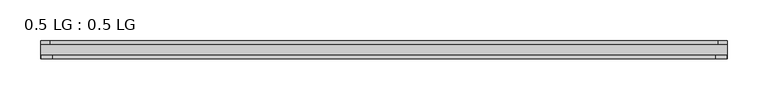
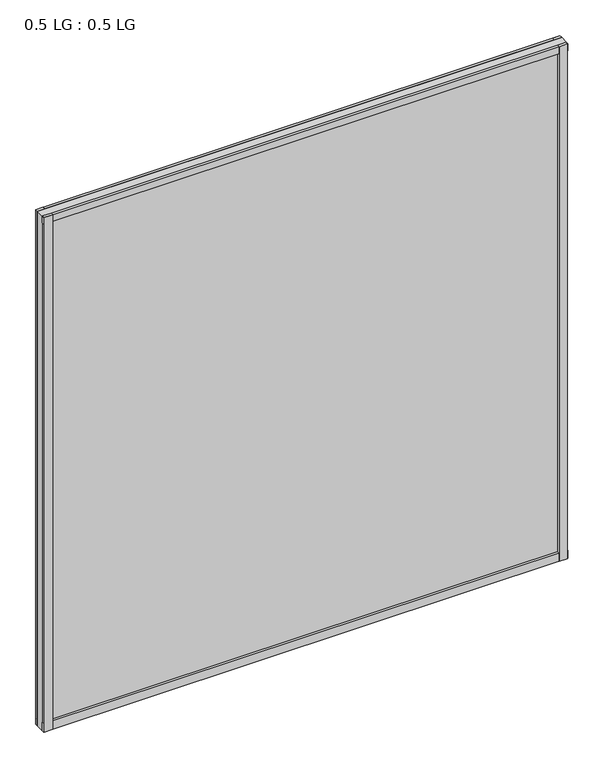
"""IFC4 building model written with IfcOpenShell, lengths in millimetres: plate geometry, 0.5 LG : 0.5 LG."""

from ifc_helpers import new_model, si_unit, frame, origin, origin_with_axes, place, context, project, spatial, polyline, outline, extrude, source, transform, mapped, element, save


def plate_0_5_lg_0_5_lg_e626f1d7(model_context):
    return source(origin(), model_context, "Body", "SweptSolid", [
        extrude(outline(polyline([(423.068369, -4.6736), (411.6157724, -4.6736), (411.6157724, 0.0), (423.068369, 0.0), (423.068369, -4.6736)])), origin_with_axes(), (0.0, 0.0, 1.0), 877.651362),
        extrude(outline(polyline([(408.8490451, -18.288), (422.2527656, -18.288), (422.2527656, -22.479), (408.8490451, -22.479), (408.8490451, -18.288)])), origin_with_axes(), (0.0, 0.0, 1.0), 877.651362),
        extrude(outline(polyline([(-411.5505603, 0.0), (-411.5505603, -4.6736), (-423.068369, -4.6736), (-423.068369, 0.0), (-411.5505603, 0.0)])), origin_with_axes(), (0.0, 0.0, 1.0), 877.651362),
        extrude(outline(polyline([(-408.8593202, -18.288), (-408.8593202, -22.479), (-422.2527656, -22.479), (-422.2527656, -18.288), (-408.8593202, -18.288)])), origin_with_axes(), (0.0, 0.0, 1.0), 877.651362),
        extrude(outline(polyline([(423.068369, 0.0), (423.068369, -4.6736), (-423.068369, -4.6736), (-423.068369, 0.0), (423.068369, 0.0)])), origin_with_axes(), (0.0, 0.0, 1.0), 11.444324),
        extrude(outline(polyline([(423.068369, -18.288), (423.068369, -22.479), (-423.068369, -22.479), (-423.068369, -18.288), (423.068369, -18.288)])), origin_with_axes(), (0.0, 0.0, 1.0), 14.1703966),
        extrude(outline(polyline([(423.068369, 0.0), (423.068369, -4.6736), (-423.068369, -4.6736), (-423.068369, 0.0), (423.068369, 0.0)])), frame((0.0, 0.0, 865.9862594), z_axis=(0.0, 0.0, 1.0), x_axis=(1.0, 0.0, 0.0)), (0.0, 0.0, 1.0), 11.6651026),
        extrude(outline(polyline([(423.068369, -18.288), (423.068369, -22.479), (-423.068369, -22.479), (-423.068369, -18.288), (423.068369, -18.288)])), frame((0.0, 0.0, 865.9862594), z_axis=(0.0, 0.0, 1.0), x_axis=(1.0, 0.0, 0.0)), (0.0, 0.0, 1.0), 11.6651026),
        extrude(outline(polyline([(423.068369, -4.6736), (423.068369, -18.288), (-423.068369, -18.288), (-423.068369, -4.6736), (423.068369, -4.6736)])), origin_with_axes(), (0.0, 0.0, 1.0), 877.651362),
    ])


if __name__ == "__main__":
    model = new_model("IFC4")
    model_context = context("Model", 3, world=origin())
    ifc_project = project(units=[si_unit("LENGTHUNIT", "METRE", prefix="MILLI")], contexts=[model_context])
    site = spatial("IfcSite", under=ifc_project)
    building = spatial("IfcBuilding", under=site)
    placement = place(None, origin())
    plate_0_5_lg_0_5_lg_shape = plate_0_5_lg_0_5_lg_e626f1d7(model_context)
    element("IfcPlate", 1, ObjectType="0.5 LG : 0.5 LG", at=placement, inside=building, context=model_context, shape_type="MappedRepresentation", body=[
        mapped(plate_0_5_lg_0_5_lg_shape, transform((0.0, 0.0, 0.0), x_axis=(1.0, 0.0, 0.0), y_axis=(0.0, 1.0, 0.0), z_axis=(0.0, 0.0, 1.0))),
    ])
    save(model, "model.ifc")
